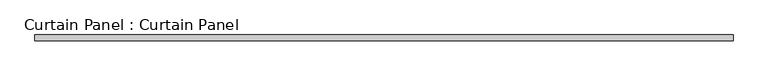
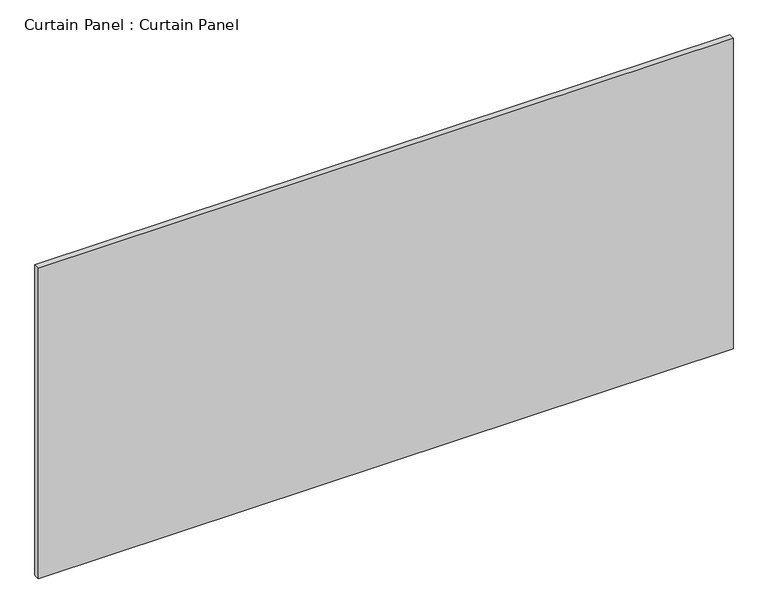
"""IFC4 building model written with IfcOpenShell, lengths in millimetres: plate geometry, Curtain Panel : Curtain Panel."""

from ifc_helpers import new_model, si_unit, frame, origin, place, context, project, spatial, polyline, outline, extrude, source, transform, mapped, element, save


def curtain_panel_curtain_panel_af50d378(model_context):
    return source(origin(), model_context, "Body", "SweptSolid", [
        extrude(outline(polyline([(-120704.3555895, -9130.4431787), (-123717.4305895, -9130.4431787), (-123717.4305895, -9105.0431787), (-120704.3555895, -9105.0431787), (-120704.3555895, -9130.4431787)])), frame((0.0, 0.0, 132.953125), z_axis=(0.0, 0.0, 1.0), x_axis=(1.0, 0.0, 0.0)), (0.0, 0.0, 1.0), 1422.4),
    ])


if __name__ == "__main__":
    model = new_model("IFC4")
    model_context = context("Model", 3, world=origin())
    ifc_project = project(units=[si_unit("LENGTHUNIT", "METRE", prefix="MILLI")], contexts=[model_context])
    site = spatial("IfcSite", under=ifc_project)
    building = spatial("IfcBuilding", under=site)
    placement = place(None, origin())
    curtain_panel_curtain_panel_shape = curtain_panel_curtain_panel_af50d378(model_context)
    element("IfcPlate", 1, ObjectType="Curtain Panel : Curtain Panel", at=placement, inside=building, context=model_context, shape_type="MappedRepresentation", body=[
        mapped(curtain_panel_curtain_panel_shape, transform((0.0, 0.0, 0.0), x_axis=(1.0, 0.0, 0.0), y_axis=(0.0, 1.0, 0.0), z_axis=(0.0, 0.0, 1.0))),
    ])
    save(model, "model.ifc")
